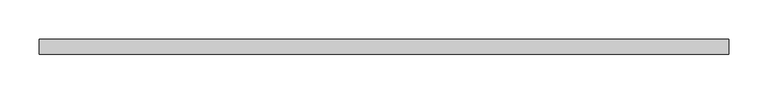
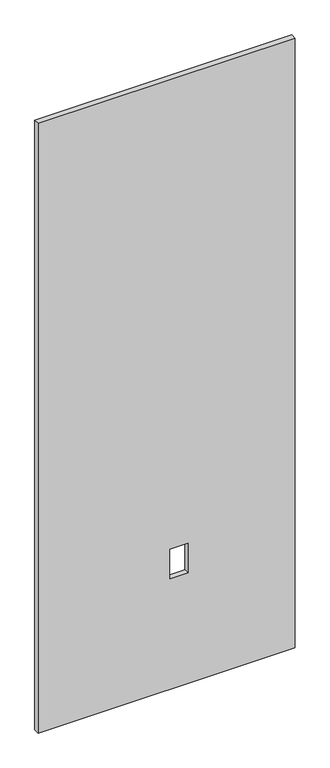
"""IFC4 building model written with IfcOpenShell, lengths in millimetres: proxy geometry."""

from ifc_helpers import new_model, si_unit, frame, origin, place, context, project, spatial, polyline, outline, extrude, source, transform, mapped, element, save


def specialty_equipment_63561162(model_context):
    return source(origin(), model_context, "Body", "SweptSolid", [
        extrude(outline(polyline([(2206.625, 439.5049898), (2206.625, -439.5049898), (3.175, -439.5049898), (3.175, 439.5049898), (2206.625, 439.5049898)]), holes=[polyline([(509.0668, 74.295), (402.3868, 74.295), (402.3868, 12.065), (509.0668, 12.065), (509.0668, 74.295)])]), frame((0.0, -9.525, 0.0), z_axis=(0.0, 1.0, 0.0), x_axis=(0.0, 0.0, 1.0)), (0.0, 0.0, 1.0), 19.05),
    ])


if __name__ == "__main__":
    model = new_model("IFC4")
    model_context = context("Model", 3, world=origin())
    ifc_project = project(units=[si_unit("LENGTHUNIT", "METRE", prefix="MILLI")], contexts=[model_context])
    site = spatial("IfcSite", under=ifc_project)
    building = spatial("IfcBuilding", under=site)
    placement = place(None, origin())
    specialty_equipment_shape = specialty_equipment_63561162(model_context)
    element("IfcBuildingElementProxy", 1, Name="Specialty Equipment", at=placement, inside=building, context=model_context, shape_type="MappedRepresentation", body=[
        mapped(specialty_equipment_shape, transform((0.0, 0.0, 0.0), x_axis=(1.0, 0.0, 0.0), y_axis=(0.0, 1.0, 0.0), z_axis=(0.0, 0.0, 1.0))),
    ])
    save(model, "model.ifc")
